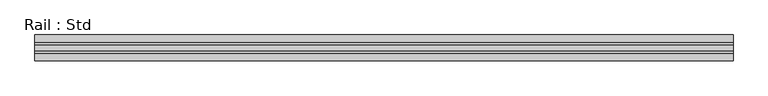
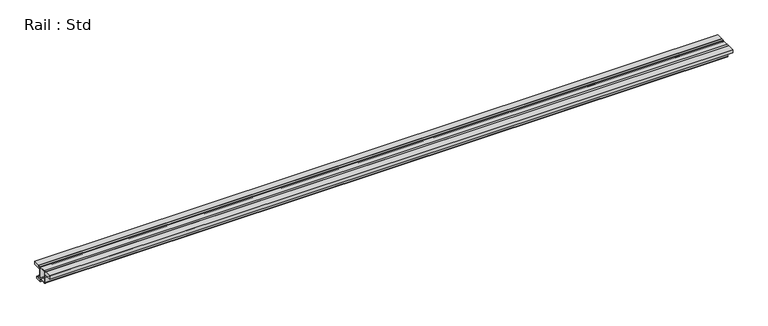
"""IFC4 building model written with IfcOpenShell, lengths in millimetres: proxy geometry, Rail : Std."""

from ifc_helpers import new_model, si_unit, point, frame, frame_2d, origin, place, context, project, spatial, polyline, circle_curve, trimmed, segment, composite_curve, outline, extrude, source, transform, mapped, element, save


def rail_std_57f48a24(model_context):
    return source(origin(), model_context, "Body", "SweptSolid", [
        extrude(outline(composite_curve([segment(polyline([(-44.0, 0.0), (0.0, 0.0), (0.0, -9.0), (8.4727848, -9.0)]), True, "CONTINUOUS"), segment(trimmed(circle_curve(frame_2d((8.4863924, -10.5136076)), 1.5136687), [point((8.4727848, -9.0))], [point((10.0, -10.5272152))], False, "CARTESIAN"), True, "CONTINUOUS"), segment(polyline([(10.0, -10.5272152), (10.0, -21.0), (-44.0, -21.0), (-44.0, 0.0)]), True, "CONTINUOUS")], self_intersect=False)), frame((0.0, 0.0, 0.0), z_axis=(1.0, 0.0, 0.0), x_axis=(0.0, 1.0, 0.0)), (0.0, 0.0, 1.0), 4300.0),
        extrude(outline(composite_curve([segment(polyline([(116.4999, 0.0), (116.4999, -21.0), (62.4999, -21.0), (62.4999, -10.5272152)]), True, "CONTINUOUS"), segment(trimmed(circle_curve(frame_2d((64.0135076, -10.5136076)), 1.5136687), [point((62.4999, -10.5272152))], [point((64.0271152, -9.0))], False, "CARTESIAN"), True, "CONTINUOUS"), segment(polyline([(64.0271152, -9.0), (72.4999, -9.0), (72.4999, 0.0), (116.4999, 0.0)]), True, "CONTINUOUS")], self_intersect=False)), frame((0.0, 0.0, 0.0), z_axis=(1.0, 0.0, 0.0), x_axis=(0.0, 1.0, 0.0)), (0.0, 0.0, 1.0), 4300.0),
        extrude(outline(composite_curve([segment(polyline([(14.8549, 0.0), (14.8549, -2.99), (55.8549, -2.99), (55.8549, 0.0), (72.4999, 0.0), (72.4999, -9.0), (64.0261634, -9.0)]), True, "CONTINUOUS"), segment(trimmed(circle_curve(frame_2d((64.0130317, -10.5131317)), 1.5131887), [point((64.0261634, -9.0))], [point((62.4999, -10.5262634))], True, "CARTESIAN"), True, "CONTINUOUS"), segment(polyline([(62.4999, -10.5262634), (62.4999, -67.2670674), (72.4999, -67.2670674), (72.4999, -83.9746787)]), True, "CONTINUOUS"), segment(trimmed(circle_curve(frame_2d((76.5125606, -83.9873394)), 4.0126806), [point((72.4999, -83.9746787))], [point((76.5252213, -88.0))], True, "CARTESIAN"), True, "CONTINUOUS"), segment(polyline([(76.5252213, -88.0), (95.4999, -88.0), (95.4999, -100.0), (57.4999, -100.0), (57.4999, -87.0270634)]), True, "CONTINUOUS"), segment(trimmed(circle_curve(frame_2d((53.4863683, -87.0135317)), 4.0135545), [point((57.4999, -87.0270634))], [point((53.4728366, -83.0))], True, "CARTESIAN"), True, "CONTINUOUS"), segment(polyline([(53.4728366, -83.0), (15.0328479, -83.0)]), True, "CONTINUOUS"), segment(trimmed(circle_curve(frame_2d((15.0164239, -77.9835761)), 5.0164508), [point((15.0328479, -83.0))], [point((10.0, -78.0))], False, "CARTESIAN"), True, "CONTINUOUS"), segment(polyline([(10.0, -78.0), (10.0, -10.5272152)]), True, "CONTINUOUS"), segment(trimmed(circle_curve(frame_2d((8.4863924, -10.5136076)), 1.5136687), [point((10.0, -10.5272152))], [point((8.4727848, -9.0))], True, "CARTESIAN"), True, "CONTINUOUS"), segment(polyline([(8.4727848, -9.0), (0.0, -9.0), (0.0, 0.0), (14.8549, 0.0)]), True, "CONTINUOUS")], self_intersect=False), holes=[composite_curve([segment(polyline([(52.4999, -7.99), (20.0, -7.99)]), True, "CONTINUOUS"), segment(trimmed(circle_curve(frame_2d((20.0, -12.99)), 5.0), [point((20.0, -7.99))], [point((15.0, -12.99))], True, "CARTESIAN"), True, "CONTINUOUS"), segment(polyline([(15.0, -12.99), (15.0, -73.0)]), True, "CONTINUOUS"), segment(trimmed(circle_curve(frame_2d((20.0, -73.0)), 5.0), [point((15.0, -73.0))], [point((20.0, -78.0))], True, "CARTESIAN"), True, "CONTINUOUS"), segment(polyline([(20.0, -78.0), (52.4999, -78.0)]), True, "CONTINUOUS"), segment(trimmed(circle_curve(frame_2d((52.4999, -73.0)), 5.0), [point((52.4999, -78.0))], [point((57.4999, -73.0))], True, "CARTESIAN"), True, "CONTINUOUS"), segment(polyline([(57.4999, -73.0), (57.4999, -12.99)]), True, "CONTINUOUS"), segment(trimmed(circle_curve(frame_2d((52.4999, -12.99)), 5.0), [point((57.4999, -12.99))], [point((52.4999, -7.99))], True, "CARTESIAN"), True, "CONTINUOUS")], self_intersect=False)]), frame((0.0, 0.0, 0.0), z_axis=(1.0, 0.0, 0.0), x_axis=(0.0, 1.0, 0.0)), (0.0, 0.0, 1.0), 4300.0),
    ])


if __name__ == "__main__":
    model = new_model("IFC4")
    model_context = context("Model", 3, world=origin())
    ifc_project = project(units=[si_unit("LENGTHUNIT", "METRE", prefix="MILLI")], contexts=[model_context])
    site = spatial("IfcSite", under=ifc_project)
    building = spatial("IfcBuilding", under=site)
    placement = place(None, origin())
    rail_std_shape = rail_std_57f48a24(model_context)
    element("IfcBuildingElementProxy", 1, Name="Rail : Std", ObjectType="Rail : Std", at=placement, inside=building, context=model_context, shape_type="MappedRepresentation", body=[
        mapped(rail_std_shape, transform((0.0, 0.0, 0.0), x_axis=(1.0, 0.0, 0.0), y_axis=(0.0, 1.0, 0.0), z_axis=(0.0, 0.0, 1.0))),
    ])
    save(model, "model.ifc")
